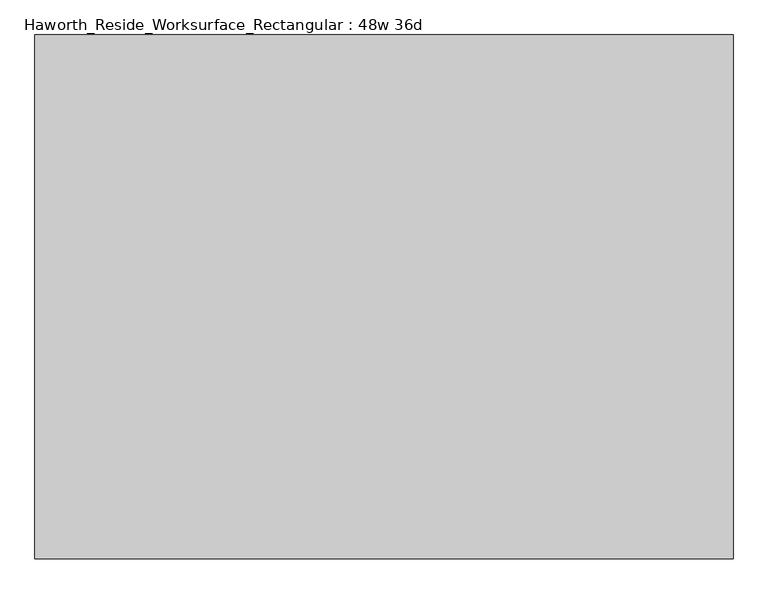
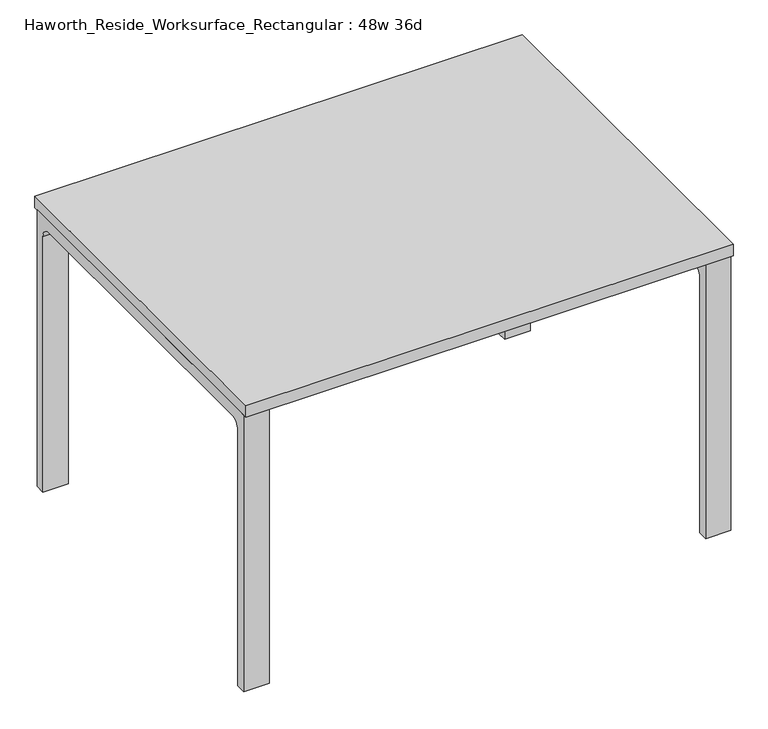
"""IFC4 building model written with IfcOpenShell, lengths in millimetres: furniture geometry, Haworth_Reside_Worksurface_Rectangular : 48w 36d."""

from ifc_helpers import new_model, si_unit, point, frame, frame_2d, origin, place, context, project, spatial, polyline, circle_curve, trimmed, segment, composite_curve, outline, extrude, source, transform, mapped, element, save


def haworth_reside_worksurface_rectangular_48w_36d_5df994f2(model_context):
    return source(origin(), model_context, "Body", "SweptSolid", [
        extrude(outline(composite_curve([segment(trimmed(circle_curve(frame_2d((396.875, 676.275)), 25.4), [point((422.275, 676.275))], [point((396.875, 701.675))], True, "CARTESIAN"), True, "CONTINUOUS"), segment(polyline([(396.875, 701.675), (-396.875, 701.675)]), True, "CONTINUOUS"), segment(trimmed(circle_curve(frame_2d((-396.875, 676.275)), 25.4), [point((-396.875, 701.675))], [point((-422.275, 676.275))], True, "CARTESIAN"), True, "CONTINUOUS"), segment(polyline([(-422.275, 676.275), (-422.275, 0.0), (-447.675, 0.0), (-447.675, 731.8375), (447.675, 731.8375), (447.675, 0.0), (422.275, 0.0), (422.275, 676.275)]), True, "CONTINUOUS")], self_intersect=False)), frame((546.1, 0.0, 0.0), z_axis=(1.0, 0.0, 0.0), x_axis=(0.0, 1.0, 0.0)), (0.0, 0.0, 1.0), 63.5),
        extrude(outline(composite_curve([segment(trimmed(circle_curve(frame_2d((396.875, 676.275)), 25.4), [point((422.275, 676.275))], [point((396.875, 701.675))], True, "CARTESIAN"), True, "CONTINUOUS"), segment(polyline([(396.875, 701.675), (-396.875, 701.675)]), True, "CONTINUOUS"), segment(trimmed(circle_curve(frame_2d((-396.875, 676.275)), 25.4), [point((-396.875, 701.675))], [point((-422.275, 676.275))], True, "CARTESIAN"), True, "CONTINUOUS"), segment(polyline([(-422.275, 676.275), (-422.275, 0.0), (-447.675, 0.0), (-447.675, 731.8375), (447.675, 731.8375), (447.675, 0.0), (422.275, 0.0), (422.275, 676.275)]), True, "CONTINUOUS")], self_intersect=False)), frame((-609.6, 0.0, 0.0), z_axis=(1.0, 0.0, 0.0), x_axis=(0.0, 1.0, 0.0)), (0.0, 0.0, 1.0), 63.5),
        extrude(outline(polyline([(609.6, 457.2), (609.6, -457.2), (-609.6, -457.2), (-609.6, 457.2), (609.6, 457.2)])), frame((0.0, 0.0, 731.8375), z_axis=(0.0, 0.0, 1.0), x_axis=(1.0, 0.0, 0.0)), (0.0, 0.0, 1.0), 30.1625),
    ])


if __name__ == "__main__":
    model = new_model("IFC4")
    model_context = context("Model", 3, world=origin())
    ifc_project = project(units=[si_unit("LENGTHUNIT", "METRE", prefix="MILLI")], contexts=[model_context])
    site = spatial("IfcSite", under=ifc_project)
    building = spatial("IfcBuilding", under=site)
    placement = place(None, origin())
    haworth_reside_worksurface_rectangular_48w_36d_shape = haworth_reside_worksurface_rectangular_48w_36d_5df994f2(model_context)
    element("IfcFurniture", 1, ObjectType="Haworth_Reside_Worksurface_Rectangular : 48w 36d", at=placement, inside=building, context=model_context, shape_type="MappedRepresentation", body=[
        mapped(haworth_reside_worksurface_rectangular_48w_36d_shape, transform((0.0, 0.0, 0.0), x_axis=(1.0, 0.0, 0.0), y_axis=(0.0, 1.0, 0.0), z_axis=(0.0, 0.0, 1.0))),
    ])
    save(model, "model.ifc")
